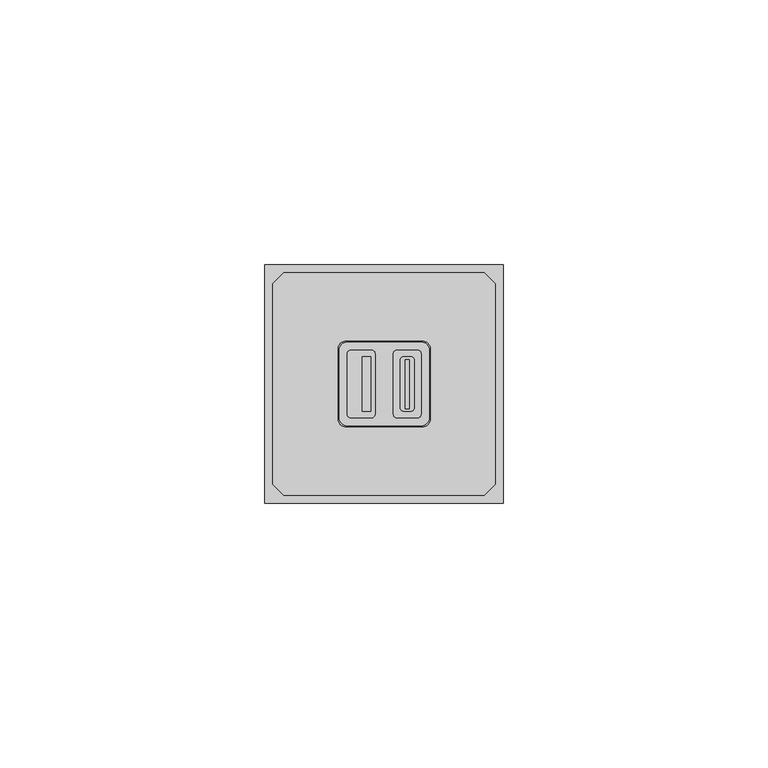
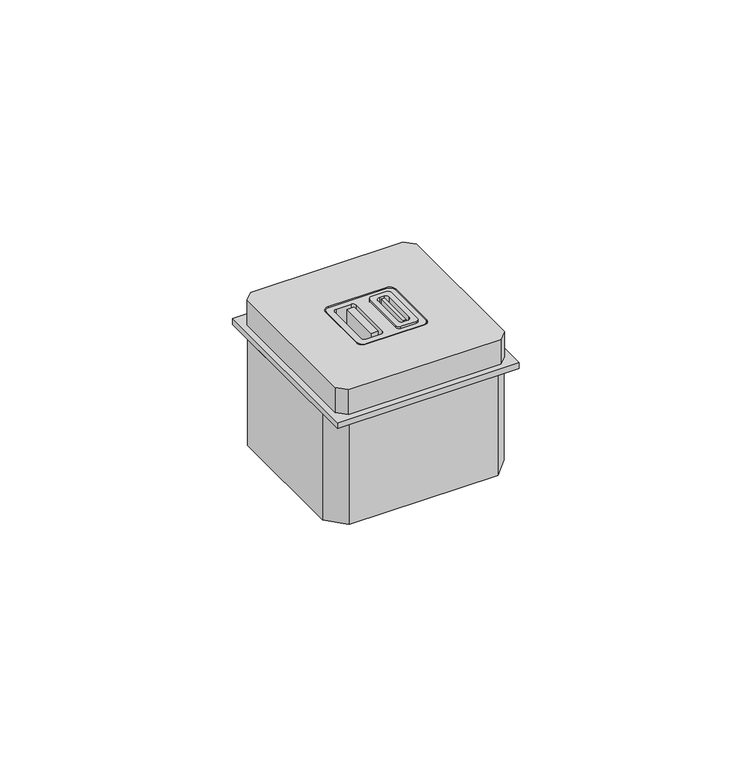
"""IFC4 building model written with IfcOpenShell, lengths in millimetres: proxy geometry."""

from ifc_helpers import new_model, si_unit, point, frame, frame_2d, origin, origin_with_axes, place, context, project, spatial, polyline, circle_curve, trimmed, segment, composite_curve, outline, extrude, source, transform, mapped, element, save


def electrical_fixtures_3a8344b2(model_context):
    return source(origin(), model_context, "Body", "SweptSolid", [
        extrude(outline(polyline([(20.019101, 27.6784606), (20.019101, 17.3327361), (18.350742, 17.3327361), (18.350742, 27.6784606), (20.019101, 27.6784606)])), origin_with_axes(), (0.0, 0.0, 1.0), 8.0),
        extrude(outline(composite_curve([segment(polyline([(28.7397222, 16.1), (25.0460028, 16.1)]), True, "CONTINUOUS"), segment(trimmed(circle_curve(frame_2d((25.0460028, 16.8960028)), 0.7960028), [point((25.0460028, 16.1))], [point((24.25, 16.8960028))], False, "CARTESIAN"), True, "CONTINUOUS"), segment(polyline([(24.25, 16.8960028), (24.25, 28.1039972)]), True, "CONTINUOUS"), segment(trimmed(circle_curve(frame_2d((25.0460028, 28.1039972)), 0.7960028), [point((24.25, 28.1039972))], [point((25.0460028, 28.9))], False, "CARTESIAN"), True, "CONTINUOUS"), segment(polyline([(25.0460028, 28.9), (28.7397222, 28.9)]), True, "CONTINUOUS"), segment(trimmed(circle_curve(frame_2d((28.7397222, 28.0897222)), 0.8102778), [point((28.7397222, 28.9))], [point((29.55, 28.0897222))], False, "CARTESIAN"), True, "CONTINUOUS"), segment(polyline([(29.55, 28.0897222), (29.55, 16.9102778)]), True, "CONTINUOUS"), segment(trimmed(circle_curve(frame_2d((28.7397222, 16.9102778)), 0.8102778), [point((29.55, 16.9102778))], [point((28.7397222, 16.1))], False, "CARTESIAN"), True, "CONTINUOUS")], self_intersect=False), holes=[composite_curve([segment(polyline([(28.2491125, 18.1486893), (28.2491125, 26.8695313)]), True, "CONTINUOUS"), segment(trimmed(circle_curve(frame_2d((27.4491125, 26.8695313)), 0.8), [point((28.2491125, 26.8695313))], [point((27.4491125, 27.6695313))], True, "CARTESIAN"), True, "CONTINUOUS"), segment(polyline([(27.4491125, 27.6695313), (26.3366125, 27.6695313)]), True, "CONTINUOUS"), segment(trimmed(circle_curve(frame_2d((26.3366125, 26.8695313)), 0.8), [point((26.3366125, 27.6695313))], [point((25.5366125, 26.8695313))], True, "CARTESIAN"), True, "CONTINUOUS"), segment(polyline([(25.5366125, 26.8695313), (25.5366125, 18.1486893)]), True, "CONTINUOUS"), segment(trimmed(circle_curve(frame_2d((26.3366125, 18.1486893)), 0.8), [point((25.5366125, 18.1486893))], [point((26.3366125, 17.3486893))], True, "CARTESIAN"), True, "CONTINUOUS"), segment(polyline([(26.3366125, 17.3486893), (27.4491125, 17.3486893)]), True, "CONTINUOUS"), segment(trimmed(circle_curve(frame_2d((27.4491125, 18.1486893)), 0.8), [point((27.4491125, 17.3486893))], [point((28.2491125, 18.1486893))], True, "CARTESIAN"), True, "CONTINUOUS")], self_intersect=False)]), frame((0.0, 0.0, 1.5), z_axis=(0.0, 0.0, 1.0), x_axis=(1.0, 0.0, 0.0)), (0.0, 0.0, 1.0), 6.7826876),
        extrude(outline(polyline([(3.6094639, 43.5), (41.3905361, 43.5), (43.5, 41.3905361), (43.5, 3.6094639), (41.3905361, 1.5), (3.6094639, 1.5), (1.5, 3.6094639), (1.5, 41.3905361), (3.6094639, 43.5)]), holes=[composite_curve([segment(trimmed(circle_curve(frame_2d((29.75, 29.1)), 1.5), [point((31.25, 29.1))], [point((29.75, 30.6))], True, "CARTESIAN"), True, "CONTINUOUS"), segment(polyline([(29.75, 30.6), (15.35, 30.6)]), True, "CONTINUOUS"), segment(trimmed(circle_curve(frame_2d((15.35, 29.1)), 1.5), [point((15.35, 30.6))], [point((13.85, 29.1))], True, "CARTESIAN"), True, "CONTINUOUS"), segment(polyline([(13.85, 29.1), (13.85, 15.9)]), True, "CONTINUOUS"), segment(trimmed(circle_curve(frame_2d((15.35, 15.9)), 1.5), [point((13.85, 15.9))], [point((15.35, 14.4))], True, "CARTESIAN"), True, "CONTINUOUS"), segment(polyline([(15.35, 14.4), (29.75, 14.4)]), True, "CONTINUOUS"), segment(trimmed(circle_curve(frame_2d((29.75, 15.9)), 1.5), [point((29.75, 14.4))], [point((31.25, 15.9))], True, "CARTESIAN"), True, "CONTINUOUS"), segment(polyline([(31.25, 15.9), (31.25, 29.1)]), True, "CONTINUOUS")], self_intersect=False)]), frame((0.0, 0.0, 1.5), z_axis=(0.0, 0.0, 1.0), x_axis=(1.0, 0.0, 0.0)), (0.0, 0.0, 1.0), 6.5),
        extrude(outline(composite_curve([segment(trimmed(circle_curve(frame_2d((29.55, 28.9)), 1.5), [point((29.55, 30.4))], [point((31.05, 28.9))], False, "CARTESIAN"), True, "CONTINUOUS"), segment(polyline([(31.05, 28.9), (31.05, 16.1)]), True, "CONTINUOUS"), segment(trimmed(circle_curve(frame_2d((29.55, 16.1)), 1.5), [point((31.05, 16.1))], [point((29.55, 14.6))], False, "CARTESIAN"), True, "CONTINUOUS"), segment(polyline([(29.55, 14.6), (15.55, 14.6)]), True, "CONTINUOUS"), segment(trimmed(circle_curve(frame_2d((15.55, 16.1)), 1.5), [point((15.55, 14.6))], [point((14.05, 16.1))], False, "CARTESIAN"), True, "CONTINUOUS"), segment(polyline([(14.05, 16.1), (14.05, 28.9)]), True, "CONTINUOUS"), segment(trimmed(circle_curve(frame_2d((15.55, 28.9)), 1.5), [point((14.05, 28.9))], [point((15.55, 30.4))], False, "CARTESIAN"), True, "CONTINUOUS"), segment(polyline([(15.55, 30.4), (29.55, 30.4)]), True, "CONTINUOUS")], self_intersect=False), holes=[composite_curve([segment(trimmed(circle_curve(frame_2d((16.3460028, 16.8960028)), 0.7960028), [point((15.55, 16.8960028))], [point((16.3460028, 16.1))], True, "CARTESIAN"), True, "CONTINUOUS"), segment(polyline([(16.3460028, 16.1), (20.0397222, 16.1)]), True, "CONTINUOUS"), segment(trimmed(circle_curve(frame_2d((20.0397222, 16.9102778)), 0.8102778), [point((20.0397222, 16.1))], [point((20.85, 16.9102778))], True, "CARTESIAN"), True, "CONTINUOUS"), segment(polyline([(20.85, 16.9102778), (20.85, 28.0897222)]), True, "CONTINUOUS"), segment(trimmed(circle_curve(frame_2d((20.0397222, 28.0897222)), 0.8102778), [point((20.85, 28.0897222))], [point((20.0397222, 28.9))], True, "CARTESIAN"), True, "CONTINUOUS"), segment(polyline([(20.0397222, 28.9), (16.3460028, 28.9)]), True, "CONTINUOUS"), segment(trimmed(circle_curve(frame_2d((16.3460028, 28.1039972)), 0.7960028), [point((16.3460028, 28.9))], [point((15.55, 28.1039972))], True, "CARTESIAN"), True, "CONTINUOUS"), segment(polyline([(15.55, 28.1039972), (15.55, 16.8960028)]), True, "CONTINUOUS")], self_intersect=False), composite_curve([segment(trimmed(circle_curve(frame_2d((28.7397222, 16.9102778)), 0.8102778), [point((28.7397222, 16.1))], [point((29.55, 16.9102778))], True, "CARTESIAN"), True, "CONTINUOUS"), segment(polyline([(29.55, 16.9102778), (29.55, 28.0897222)]), True, "CONTINUOUS"), segment(trimmed(circle_curve(frame_2d((28.7397222, 28.0897222)), 0.8102778), [point((29.55, 28.0897222))], [point((28.7397222, 28.9))], True, "CARTESIAN"), True, "CONTINUOUS"), segment(polyline([(28.7397222, 28.9), (25.0460028, 28.9)]), True, "CONTINUOUS"), segment(trimmed(circle_curve(frame_2d((25.0460028, 28.1039972)), 0.7960028), [point((25.0460028, 28.9))], [point((24.25, 28.1039972))], True, "CARTESIAN"), True, "CONTINUOUS"), segment(polyline([(24.25, 28.1039972), (24.25, 16.8960028)]), True, "CONTINUOUS"), segment(trimmed(circle_curve(frame_2d((25.0460028, 16.8960028)), 0.7960028), [point((24.25, 16.8960028))], [point((25.0460028, 16.1))], True, "CARTESIAN"), True, "CONTINUOUS"), segment(polyline([(25.0460028, 16.1), (28.7397222, 16.1)]), True, "CONTINUOUS")], self_intersect=False)]), frame((0.0, 0.0, 1.5), z_axis=(0.0, 0.0, 1.0), x_axis=(1.0, 0.0, 0.0)), (0.0, 0.0, 1.0), 6.5),
        extrude(outline(polyline([(27.312851, 27.0534606), (27.312851, 17.8014861), (26.503867, 17.8014861), (26.503867, 27.0534606), (27.312851, 27.0534606)])), origin_with_axes(), (0.0, 0.0, 1.0), 8.2826876),
        extrude(outline(polyline([(0.0, 45.0), (45.0, 45.0), (45.0, 0.0), (0.0, 0.0), (0.0, 45.0)]), holes=[composite_curve([segment(polyline([(15.55, 28.1039972), (15.55, 16.8960028)]), True, "CONTINUOUS"), segment(trimmed(circle_curve(frame_2d((16.3460028, 16.8960028)), 0.7960028), [point((15.55, 16.8960028))], [point((16.3460028, 16.1))], True, "CARTESIAN"), True, "CONTINUOUS"), segment(polyline([(16.3460028, 16.1), (20.0397222, 16.1)]), True, "CONTINUOUS"), segment(trimmed(circle_curve(frame_2d((20.0397222, 16.9102778)), 0.8102778), [point((20.0397222, 16.1))], [point((20.85, 16.9102778))], True, "CARTESIAN"), True, "CONTINUOUS"), segment(polyline([(20.85, 16.9102778), (20.85, 28.0897222)]), True, "CONTINUOUS"), segment(trimmed(circle_curve(frame_2d((20.0397222, 28.0897222)), 0.8102778), [point((20.85, 28.0897222))], [point((20.0397222, 28.9))], True, "CARTESIAN"), True, "CONTINUOUS"), segment(polyline([(20.0397222, 28.9), (16.3460028, 28.9)]), True, "CONTINUOUS"), segment(trimmed(circle_curve(frame_2d((16.3460028, 28.1039972)), 0.7960028), [point((16.3460028, 28.9))], [point((15.55, 28.1039972))], True, "CARTESIAN"), True, "CONTINUOUS")], self_intersect=False), composite_curve([segment(polyline([(24.25, 28.1039972), (24.25, 16.8960028)]), True, "CONTINUOUS"), segment(trimmed(circle_curve(frame_2d((25.0460028, 16.8960028)), 0.7960028), [point((24.25, 16.8960028))], [point((25.0460028, 16.1))], True, "CARTESIAN"), True, "CONTINUOUS"), segment(polyline([(25.0460028, 16.1), (28.7397222, 16.1)]), True, "CONTINUOUS"), segment(trimmed(circle_curve(frame_2d((28.7397222, 16.9102778)), 0.8102778), [point((28.7397222, 16.1))], [point((29.55, 16.9102778))], True, "CARTESIAN"), True, "CONTINUOUS"), segment(polyline([(29.55, 16.9102778), (29.55, 28.0897222)]), True, "CONTINUOUS"), segment(trimmed(circle_curve(frame_2d((28.7397222, 28.0897222)), 0.8102778), [point((29.55, 28.0897222))], [point((28.7397222, 28.9))], True, "CARTESIAN"), True, "CONTINUOUS"), segment(polyline([(28.7397222, 28.9), (25.0460028, 28.9)]), True, "CONTINUOUS"), segment(trimmed(circle_curve(frame_2d((25.0460028, 28.1039972)), 0.7960028), [point((25.0460028, 28.9))], [point((24.25, 28.1039972))], True, "CARTESIAN"), True, "CONTINUOUS")], self_intersect=False)]), origin_with_axes(), (0.0, 0.0, 1.0), 1.5),
        extrude(outline(polyline([(40.9470004, 42.986037), (45.0, 38.5762696), (45.0, 6.4237304), (40.9470004, 2.013963), (4.0529996, 2.013963), (0.0, 6.4237304), (0.0, 38.5762696), (4.0529996, 42.986037), (40.9470004, 42.986037)])), frame((0.0, 0.0, -27.8422687), z_axis=(0.0, 0.0, 1.0), x_axis=(1.0, 0.0, 0.0)), (0.0, 0.0, 1.0), 27.8422687),
        extrude(outline(composite_curve([segment(polyline([(15.55, 30.4), (29.55, 30.4)]), True, "CONTINUOUS"), segment(trimmed(circle_curve(frame_2d((29.55, 28.9)), 1.5), [point((29.55, 30.4))], [point((31.05, 28.9))], False, "CARTESIAN"), True, "CONTINUOUS"), segment(polyline([(31.05, 28.9), (31.05, 16.1)]), True, "CONTINUOUS"), segment(trimmed(circle_curve(frame_2d((29.55, 16.1)), 1.5), [point((31.05, 16.1))], [point((29.55, 14.6))], False, "CARTESIAN"), True, "CONTINUOUS"), segment(polyline([(29.55, 14.6), (15.55, 14.6)]), True, "CONTINUOUS"), segment(trimmed(circle_curve(frame_2d((15.55, 16.1)), 1.5), [point((15.55, 14.6))], [point((14.05, 16.1))], False, "CARTESIAN"), True, "CONTINUOUS"), segment(polyline([(14.05, 16.1), (14.05, 28.9)]), True, "CONTINUOUS"), segment(trimmed(circle_curve(frame_2d((15.55, 28.9)), 1.5), [point((14.05, 28.9))], [point((15.55, 30.4))], False, "CARTESIAN"), True, "CONTINUOUS")], self_intersect=False), holes=[composite_curve([segment(trimmed(circle_curve(frame_2d((16.3460028, 16.8960028)), 0.7960028), [point((15.55, 16.8960028))], [point((16.3460028, 16.1))], True, "CARTESIAN"), True, "CONTINUOUS"), segment(polyline([(16.3460028, 16.1), (20.0397222, 16.1)]), True, "CONTINUOUS"), segment(trimmed(circle_curve(frame_2d((20.0397222, 16.9102778)), 0.8102778), [point((20.0397222, 16.1))], [point((20.85, 16.9102778))], True, "CARTESIAN"), True, "CONTINUOUS"), segment(polyline([(20.85, 16.9102778), (20.85, 28.0897222)]), True, "CONTINUOUS"), segment(trimmed(circle_curve(frame_2d((20.0397222, 28.0897222)), 0.8102778), [point((20.85, 28.0897222))], [point((20.0397222, 28.9))], True, "CARTESIAN"), True, "CONTINUOUS"), segment(polyline([(20.0397222, 28.9), (16.3460028, 28.9)]), True, "CONTINUOUS"), segment(trimmed(circle_curve(frame_2d((16.3460028, 28.1039972)), 0.7960028), [point((16.3460028, 28.9))], [point((15.55, 28.1039972))], True, "CARTESIAN"), True, "CONTINUOUS"), segment(polyline([(15.55, 28.1039972), (15.55, 16.8960028)]), True, "CONTINUOUS")], self_intersect=False), composite_curve([segment(trimmed(circle_curve(frame_2d((28.7397222, 16.9102778)), 0.8102778), [point((28.7397222, 16.1))], [point((29.55, 16.9102778))], True, "CARTESIAN"), True, "CONTINUOUS"), segment(polyline([(29.55, 16.9102778), (29.55, 28.0897222)]), True, "CONTINUOUS"), segment(trimmed(circle_curve(frame_2d((28.7397222, 28.0897222)), 0.8102778), [point((29.55, 28.0897222))], [point((28.7397222, 28.9))], True, "CARTESIAN"), True, "CONTINUOUS"), segment(polyline([(28.7397222, 28.9), (25.0460028, 28.9)]), True, "CONTINUOUS"), segment(trimmed(circle_curve(frame_2d((25.0460028, 28.1039972)), 0.7960028), [point((25.0460028, 28.9))], [point((24.25, 28.1039972))], True, "CARTESIAN"), True, "CONTINUOUS"), segment(polyline([(24.25, 28.1039972), (24.25, 16.8960028)]), True, "CONTINUOUS"), segment(trimmed(circle_curve(frame_2d((25.0460028, 16.8960028)), 0.7960028), [point((24.25, 16.8960028))], [point((25.0460028, 16.1))], True, "CARTESIAN"), True, "CONTINUOUS"), segment(polyline([(25.0460028, 16.1), (28.7397222, 16.1)]), True, "CONTINUOUS")], self_intersect=False)]), frame((0.0, 0.0, 1.5), z_axis=(0.0, 0.0, 1.0), x_axis=(1.0, 0.0, 0.0)), (0.0, 0.0, 1.0), 6.5),
    ])


if __name__ == "__main__":
    model = new_model("IFC4")
    model_context = context("Model", 3, world=origin())
    ifc_project = project(units=[si_unit("LENGTHUNIT", "METRE", prefix="MILLI")], contexts=[model_context])
    site = spatial("IfcSite", under=ifc_project)
    building = spatial("IfcBuilding", under=site)
    placement = place(None, origin())
    electrical_fixtures_shape = electrical_fixtures_3a8344b2(model_context)
    element("IfcBuildingElementProxy", 1, Name="Electrical Fixtures", at=placement, inside=building, context=model_context, shape_type="MappedRepresentation", body=[
        mapped(electrical_fixtures_shape, transform((0.0, 0.0, 0.0), x_axis=(1.0, 0.0, 0.0), y_axis=(0.0, 1.0, 0.0), z_axis=(0.0, 0.0, 1.0))),
    ])
    save(model, "model.ifc")
